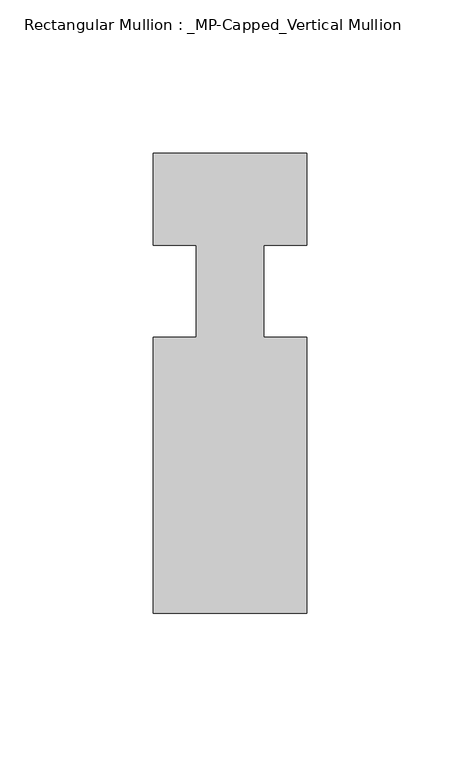
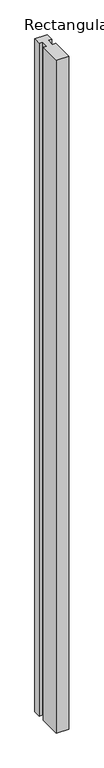
"""IFC4 building model written with IfcOpenShell, lengths in millimetres: member geometry, Rectangular Mullion : _MP-Capped_Vertical Mullion."""

from ifc_helpers import new_model, si_unit, frame, origin, place, context, project, spatial, polyline, outline, extrude, source, transform, mapped, element, save


def rectangular_mullion_mp_capped_vertical_mullion_b218c878(model_context):
    return source(origin(), model_context, "Body", "SweptSolid", [
        extrude(outline(polyline([(25.0, 0.0), (25.0, -30.0), (11.0, -30.0), (11.0, -60.0), (25.0, -60.0), (25.0, -150.0), (-25.0, -150.0), (-25.0, -60.0), (-11.0, -60.0), (-11.0, -30.0), (-25.0, -30.0), (-25.0, 0.0), (25.0, 0.0)])), frame((0.0, 0.0, -2885.0), z_axis=(0.0, 0.0, 1.0), x_axis=(1.0, 0.0, 0.0)), (0.0, 0.0, 1.0), 2885.0),
    ])


if __name__ == "__main__":
    model = new_model("IFC4")
    model_context = context("Model", 3, world=origin())
    ifc_project = project(units=[si_unit("LENGTHUNIT", "METRE", prefix="MILLI")], contexts=[model_context])
    site = spatial("IfcSite", under=ifc_project)
    building = spatial("IfcBuilding", under=site)
    placement = place(None, origin())
    rectangular_mullion_mp_capped_vertical_mullion_shape = rectangular_mullion_mp_capped_vertical_mullion_b218c878(model_context)
    element("IfcMember", 1, ObjectType="Rectangular Mullion : _MP-Capped_Vertical Mullion", at=placement, inside=building, context=model_context, shape_type="MappedRepresentation", body=[
        mapped(rectangular_mullion_mp_capped_vertical_mullion_shape, transform((0.0, 0.0, 0.0), x_axis=(1.0, 0.0, 0.0), y_axis=(0.0, 1.0, 0.0), z_axis=(0.0, 0.0, 1.0))),
    ])
    save(model, "model.ifc")
